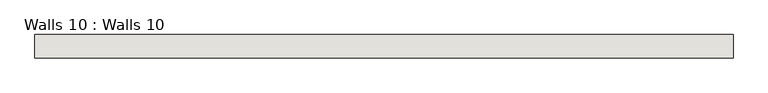
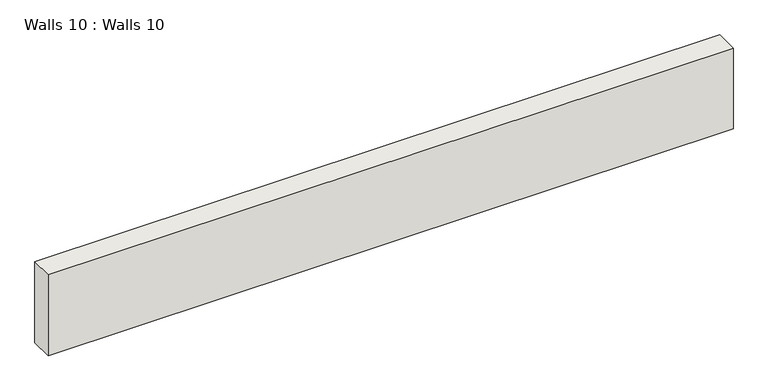
"""IFC4 building model written with IfcOpenShell, lengths in millimetres: wall geometry, Walls 10 : Walls 10."""

from ifc_helpers import new_model, si_unit, frame, origin, place, context, project, spatial, polyline, outline, extrude, source, transform, mapped, element, save


def walls_10_walls_10_3070997e(model_context):
    return source(origin(), model_context, "Body", "SweptSolid", [
        extrude(outline(polyline([(-9369.0507307, 39317.2245636), (-8226.0507307, 39317.2245636), (-8226.0507307, 39279.1245636), (-9369.0507307, 39279.1245636), (-9369.0507307, 39317.2245636)])), frame((0.0, 0.0, -5902.4460692), z_axis=(0.0, 0.0, 1.0), x_axis=(1.0, 0.0, 0.0)), (0.0, 0.0, 1.0), 142.6962479),
    ])


if __name__ == "__main__":
    model = new_model("IFC4")
    model_context = context("Model", 3, world=origin())
    ifc_project = project(units=[si_unit("LENGTHUNIT", "METRE", prefix="MILLI")], contexts=[model_context])
    site = spatial("IfcSite", under=ifc_project)
    building = spatial("IfcBuilding", under=site)
    placement = place(None, origin())
    walls_10_walls_10_shape = walls_10_walls_10_3070997e(model_context)
    element("IfcWall", 1, ObjectType="Walls 10 : Walls 10", at=placement, inside=building, context=model_context, shape_type="MappedRepresentation", body=[
        mapped(walls_10_walls_10_shape, transform((0.0, 0.0, 0.0), x_axis=(1.0, 0.0, 0.0), y_axis=(0.0, 1.0, 0.0), z_axis=(0.0, 0.0, 1.0))),
    ])
    save(model, "model.ifc")
